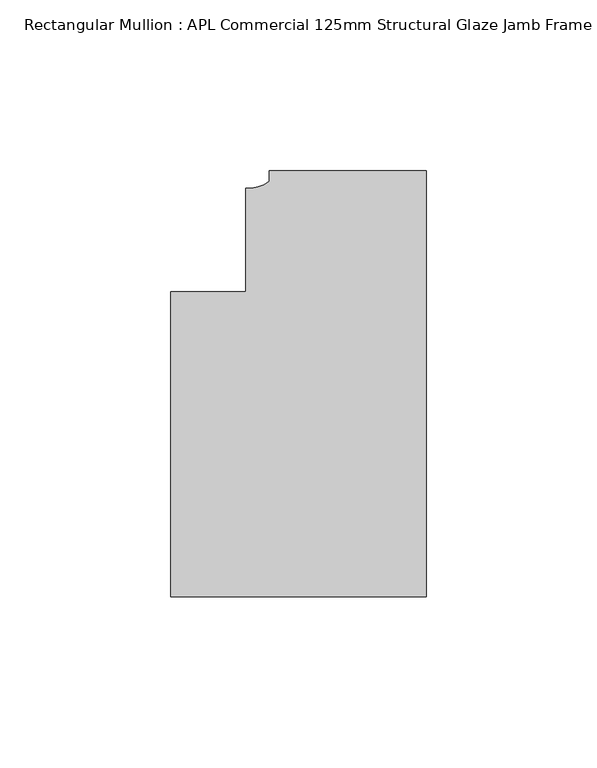
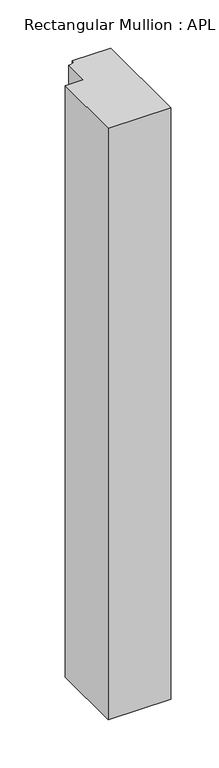
"""IFC4 building model written with IfcOpenShell, lengths in millimetres: member geometry, Rectangular Mullion : APL Commercial 125mm Structural Glaze Jamb Frame (right)."""

from ifc_helpers import new_model, si_unit, point, frame, frame_2d, origin, place, context, project, spatial, polyline, circle_curve, trimmed, segment, composite_curve, outline, extrude, source, transform, mapped, element, save


def rectangular_mullion_apl_commercial_125mm_structural_glaze_99cdfc19(model_context):
    return source(origin(), model_context, "Body", "SweptSolid", [
        extrude(outline(composite_curve([segment(polyline([(0.0, 20.5), (0.0, -104.5), (-75.0, -104.5), (-75.0, -15.0000829), (-52.9999391, -15.0000829), (-52.9999391, 15.3797475)]), True, "CONTINUOUS"), segment(trimmed(circle_curve(frame_2d((-52.1098019, 25.7981812)), 10.4563907), [point((-52.9999391, 15.3797475))], [point((-46.0, 17.3125212))], True, "CARTESIAN"), True, "CONTINUOUS"), segment(polyline([(-46.0, 17.3125212), (-46.0, 20.5), (0.0, 20.5)]), True, "CONTINUOUS")], self_intersect=False)), frame((0.0, 0.0, -751.0049991), z_axis=(0.0, 0.0, 1.0), x_axis=(1.0, 0.0, 0.0)), (0.0, 0.0, 1.0), 751.0049991),
    ])


if __name__ == "__main__":
    model = new_model("IFC4")
    model_context = context("Model", 3, world=origin())
    ifc_project = project(units=[si_unit("LENGTHUNIT", "METRE", prefix="MILLI")], contexts=[model_context])
    site = spatial("IfcSite", under=ifc_project)
    building = spatial("IfcBuilding", under=site)
    placement = place(None, origin())
    rectangular_mullion_apl_commercial_125mm_structural_glaze_shape = rectangular_mullion_apl_commercial_125mm_structural_glaze_99cdfc19(model_context)
    element("IfcMember", 1, ObjectType="Rectangular Mullion : APL Commercial 125mm Structural Glaze Jamb Frame (right)", at=placement, inside=building, context=model_context, shape_type="MappedRepresentation", body=[
        mapped(rectangular_mullion_apl_commercial_125mm_structural_glaze_shape, transform((0.0, 0.0, 0.0), x_axis=(1.0, 0.0, 0.0), y_axis=(0.0, 1.0, 0.0), z_axis=(0.0, 0.0, 1.0))),
    ])
    save(model, "model.ifc")
